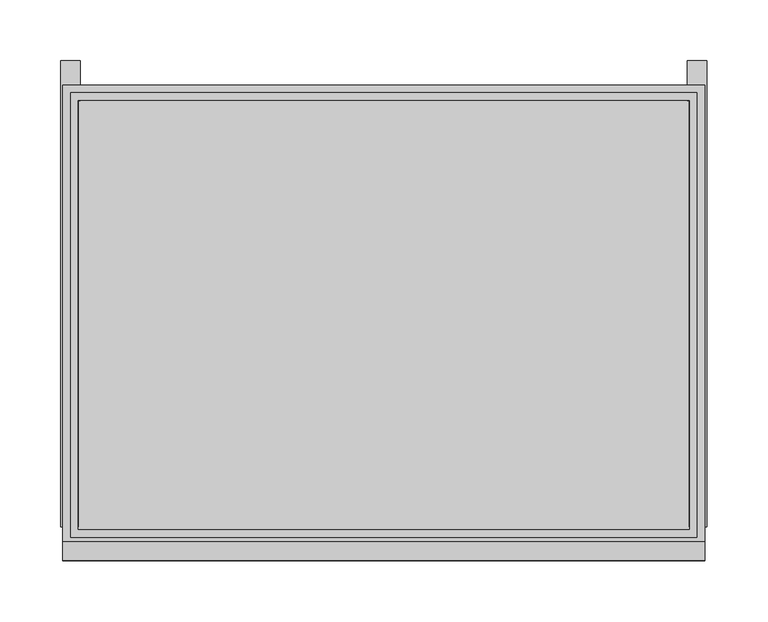
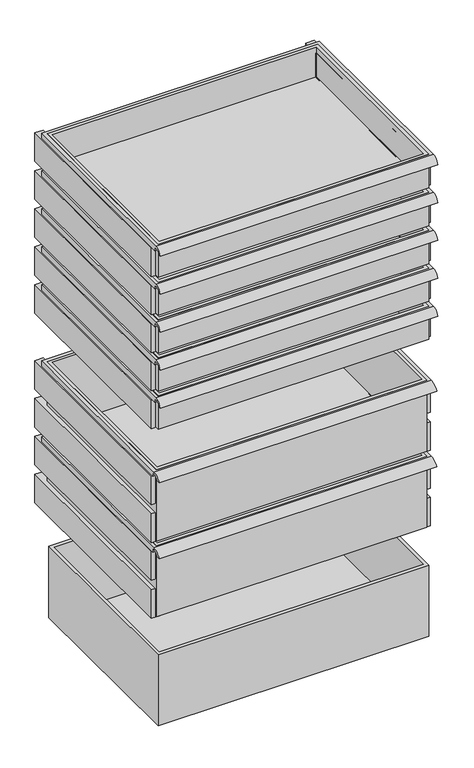
"""IFC4 building model written with IfcOpenShell, lengths in millimetres: proxy geometry."""

from ifc_helpers import new_model, si_unit, frame, origin, place, context, project, spatial, polyline, circle_curve, outline, extrude, faceted_brep, source, transform, mapped, element, save
from ifc_brep_helpers import plane_surface, cylinder_surface, revolved_surface, advanced_brep


def specialty_equipment_a31bc52e(model_context):
    return source(origin(), model_context, "Body", "SolidModel", [
        faceted_brep([(250.825, 163.5621094, 1024.5461369), (-250.825, 163.5621094, 1024.5461369), (-250.825, -188.8628906, 1024.5461369), (250.825, -188.8628906, 1024.5461369), (250.825, 163.5621094, 1084.2498), (-250.825, 163.5621094, 1084.2498), (-250.825, -188.8628906, 1084.2498), (250.825, -188.8628906, 1084.2498), (257.175, 169.9121094, 1084.2498), (-257.175, 169.9121094, 1084.2498), (-257.175, -195.2128906, 1084.2498), (257.175, -195.2128906, 1084.2498), (257.175, 169.9121094, 1017.5748), (257.175, -195.2128906, 1017.5748), (-257.175, -195.2128906, 1017.5748), (-257.175, 169.9121094, 1017.5748)], [[[0, 1, 2, 3]], [[1, 0, 4, 5]], [[2, 1, 5, 6]], [[0, 3, 7, 4]], [[3, 2, 6, 7]], [[8, 9, 10, 11], [5, 4, 7, 6]], [[12, 13, 14, 15]], [[9, 8, 12, 15]], [[10, 9, 15, 14]], [[11, 10, 14, 13]], [[8, 11, 13, 12]]]),
        advanced_brep(
        [(250.825, 163.5621094, 1073.15), (250.825, 163.5621094, 1084.2498), (-250.825, 163.5621094, 1084.2498), (-250.825, 163.5621094, 1073.15), (-250.825, -188.8628906, 1084.2498), (-250.825, -188.8628906, 1073.15), (250.825, -188.8628906, 1073.15), (250.825, -188.8628906, 1084.2498), (263.525, -214.2628906, 1073.15), (263.525, -210.8284507, 1073.15), (263.525, -199.4718721, 1081.0319341), (263.525, -195.2128906, 1081.0319341), (263.525, -195.2128906, 1073.15), (263.525, 176.2621094, 1073.15), (263.525, 176.2621094, 1084.2498), (263.525, -198.3878906, 1084.2498), (-263.525, -214.2628906, 1073.15), (-263.525, -198.3878906, 1084.2498), (-263.525, 176.2621094, 1084.2498), (-263.525, 176.2621094, 1073.15), (-263.525, -195.2128906, 1073.15), (-263.525, -195.2128906, 1081.0319341), (-263.525, -199.4718721, 1081.0319341), (-263.525, -210.8284507, 1073.15)],
        [
            (0, 1),
            (1, 2),
            (2, 3),
            (3, 0),
            (2, 4),
            (4, 5),
            (5, 3),
            (0, 6),
            (6, 7),
            (7, 1),
            (8, 9),
            (9, 10, circle_curve(frame((263.525, -198.3878906, 1067.3476403), z_axis=(-1.0, 0.0, 0.0), x_axis=(0.0, 1.0, 0.0)), 13.7271597)),
            (10, 11),
            (11, 12),
            (12, 13),
            (13, 14),
            (14, 15),
            (15, 8, circle_curve(frame((263.525, -198.3878906, 1067.3476403), z_axis=(1.0, 0.0, 0.0), x_axis=(0.0, 1.0, 0.0)), 16.9021597)),
            (16, 17, circle_curve(frame((-263.525, -198.3878906, 1067.3476403), z_axis=(-1.0, 0.0, 0.0), x_axis=(0.0, 1.0, 0.0)), 16.9021597)),
            (17, 18),
            (18, 19),
            (19, 20),
            (20, 21),
            (21, 22),
            (22, 23, circle_curve(frame((-263.525, -198.3878906, 1067.3476403), z_axis=(1.0, 0.0, 0.0), x_axis=(0.0, 1.0, 0.0)), 13.7271597)),
            (23, 16),
            (8, 16),
            (23, 9),
            (22, 10),
            (21, 11),
            (20, 12),
            (19, 13),
            (5, 6),
            (18, 14),
            (17, 15),
            (7, 4),
        ],
        [
            plane_surface(frame((250.825, 163.5621094, 1084.2498), z_axis=(0.0, -1.0, 0.0), x_axis=(0.0, 0.0, -1.0))),
            plane_surface(frame((-250.825, 163.5621094, 1084.2498), z_axis=(1.0, 0.0, 0.0), x_axis=(0.0, 0.0, -1.0))),
            plane_surface(frame((250.825, -188.8628906, 1084.2498), z_axis=(-1.0, 0.0, 0.0), x_axis=(0.0, 0.0, -1.0))),
            plane_surface(frame((263.525, -214.2628906, 1073.15), z_axis=(1.0, 0.0, 0.0), x_axis=(0.0, 1.0, 0.0))),
            plane_surface(frame((-263.525, -214.2628906, 1073.15), z_axis=(-1.0, 0.0, 0.0), x_axis=(0.0, -1.0, 0.0))),
            plane_surface(frame((263.525, -214.2628906, 1073.15), z_axis=(0.0, 0.0, -1.0), x_axis=(-1.0, 0.0, 0.0))),
            revolved_surface(polyline([(-263.525, -184.6607309, 1067.3476403), (263.525, -184.6607309, 1067.3476403)]), (-263.525, -198.3878906, 1067.3476403), (-1.0, 0.0, 0.0)),
            plane_surface(frame((263.525, -199.4718721, 1081.0319341), z_axis=(0.0, 2.637895110127553e-12, -1.0), x_axis=(-1.0, 0.0, 0.0))),
            plane_surface(frame((263.525, -195.2128906, 1081.0319341), z_axis=(0.0, -1.0, 0.0), x_axis=(-1.0, 0.0, 0.0))),
            plane_surface(frame((263.525, -195.2128906, 1073.15), z_axis=(0.0, 0.0, -1.0), x_axis=(-1.0, 0.0, 0.0))),
            plane_surface(frame((263.525, 176.2621094, 1073.15), z_axis=(0.0, 1.0, 0.0), x_axis=(-1.0, 0.0, 0.0))),
            plane_surface(frame((263.525, 176.2621094, 1084.2498), z_axis=(0.0, 0.0, 1.0), x_axis=(-1.0, 0.0, 0.0))),
            cylinder_surface(frame((-263.525, -198.3878906, 1067.3476403), z_axis=(1.0, 0.0, 0.0), x_axis=(0.0, 1.0, 0.0)), 16.9021597),
            plane_surface(frame((-250.825, -188.8628906, 1084.2498), z_axis=(0.0, 1.0, 0.0), x_axis=(0.0, 0.0, -1.0))),
        ],
        [
            (0, [[1, 2, 3, 4]]),
            (1, [[-3, 5, 6, 7]]),
            (2, [[-1, 8, 9, 10]]),
            (3, [[11, 12, 13, 14, 15, 16, 17, 18]]),
            (4, [[19, 20, 21, 22, 23, 24, 25, 26]]),
            (5, [[-11, 27, -26, 28]]),
            (6, [[-12, -28, -25, 29]]),
            (7, [[-13, -29, -24, 30]]),
            (8, [[-14, -30, -23, 31]]),
            (9, [[-15, -31, -22, 32], [-4, -7, 33, -8]]),
            (10, [[-16, -32, -21, 34]]),
            (11, [[-17, -34, -20, 35], [-2, -10, 36, -5]]),
            (12, [[-18, -35, -19, -27]]),
            (13, [[-6, -36, -9, -33]]),
        ],
    ),
        faceted_brep([(-265.1125, -186.53125, 1073.15), (-265.1125, -186.53125, 1015.7968), (-249.2375, -186.53125, 1015.7968), (-249.2375, -186.53125, 1024.5461369), (-250.825, -186.53125, 1024.5461369), (-250.825, -186.53125, 1073.15), (-249.2375, 196.05625, 1073.15), (-249.2375, 196.05625, 1015.7968), (-265.1125, 196.05625, 1015.7968), (-265.1125, 196.05625, 1073.15), (-250.825, 163.5621094, 1073.15), (-249.2375, 163.5621094, 1073.15), (-249.2375, 163.5621094, 1024.5461369), (-250.825, 163.5621094, 1024.5461369)], [[[0, 1, 2, 3, 4, 5]], [[6, 7, 8, 9]], [[6, 9, 0, 5, 10, 11]], [[1, 0, 9, 8]], [[2, 1, 8, 7]], [[7, 6, 11, 12, 3, 2]], [[12, 13, 4, 3]], [[13, 12, 11, 10]], [[4, 13, 10, 5]]]),
        faceted_brep([(249.2375, -186.53125, 1015.7968), (265.1125, -186.53125, 1015.7968), (265.1125, -186.53125, 1073.15), (250.825, -186.53125, 1073.15), (250.825, -186.53125, 1024.5461369), (249.2375, -186.53125, 1024.5461369), (265.1125, 196.05625, 1073.15), (265.1125, 196.05625, 1015.7968), (249.2375, 196.05625, 1015.7968), (249.2375, 196.05625, 1073.15), (249.2375, 163.5621094, 1073.15), (250.825, 163.5621094, 1073.15), (249.2375, 163.5621094, 1024.5461369), (250.825, 163.5621094, 1024.5461369)], [[[0, 1, 2, 3, 4, 5]], [[6, 7, 8, 9]], [[6, 9, 10, 11, 3, 2]], [[9, 8, 0, 5, 12, 10]], [[1, 0, 8, 7]], [[2, 1, 7, 6]], [[13, 12, 5, 4]], [[12, 13, 11, 10]], [[13, 4, 3, 11]]]),
        faceted_brep([(250.825, 163.5621094, 949.5590171), (-250.825, 163.5621094, 949.5590171), (-250.825, -188.8628906, 949.5590171), (250.825, -188.8628906, 949.5590171), (250.825, 163.5621094, 1008.0498), (-250.825, 163.5621094, 1008.0498), (-250.825, -188.8628906, 1008.0498), (250.825, -188.8628906, 1008.0498), (257.175, 169.9121094, 1008.0498), (-257.175, 169.9121094, 1008.0498), (-257.175, -195.2128906, 1008.0498), (257.175, -195.2128906, 1008.0498), (257.175, 169.9121094, 941.3748), (257.175, -195.2128906, 941.3748), (-257.175, -195.2128906, 941.3748), (-257.175, 169.9121094, 941.3748)], [[[0, 1, 2, 3]], [[1, 0, 4, 5]], [[2, 1, 5, 6]], [[0, 3, 7, 4]], [[3, 2, 6, 7]], [[8, 9, 10, 11], [5, 4, 7, 6]], [[12, 13, 14, 15]], [[9, 8, 12, 15]], [[10, 9, 15, 14]], [[11, 10, 14, 13]], [[8, 11, 13, 12]]]),
        advanced_brep(
        [(250.825, 163.5621094, 996.95), (250.825, 163.5621094, 1008.0498), (-250.825, 163.5621094, 1008.0498), (-250.825, 163.5621094, 996.95), (-250.825, -188.8628906, 1008.0498), (-250.825, -188.8628906, 996.95), (250.825, -188.8628906, 996.95), (250.825, -188.8628906, 1008.0498), (263.525, -214.2628906, 996.95), (263.525, -210.8284507, 996.95), (263.525, -199.4718721, 1004.8319341), (263.525, -195.2128906, 1004.8319341), (263.525, -195.2128906, 996.95), (263.525, 176.2621094, 996.95), (263.525, 176.2621094, 1008.0498), (263.525, -198.3878906, 1008.0498), (-263.525, -214.2628906, 996.95), (-263.525, -198.3878906, 1008.0498), (-263.525, 176.2621094, 1008.0498), (-263.525, 176.2621094, 996.95), (-263.525, -195.2128906, 996.95), (-263.525, -195.2128906, 1004.8319341), (-263.525, -199.4718721, 1004.8319341), (-263.525, -210.8284507, 996.95)],
        [
            (0, 1),
            (1, 2),
            (2, 3),
            (3, 0),
            (2, 4),
            (4, 5),
            (5, 3),
            (0, 6),
            (6, 7),
            (7, 1),
            (8, 9),
            (9, 10, circle_curve(frame((263.525, -198.3878906, 991.1476403), z_axis=(-1.0, 0.0, 0.0), x_axis=(0.0, 1.0, 0.0)), 13.7271597)),
            (10, 11),
            (11, 12),
            (12, 13),
            (13, 14),
            (14, 15),
            (15, 8, circle_curve(frame((263.525, -198.3878906, 991.1476403), z_axis=(1.0, 0.0, 0.0), x_axis=(0.0, 1.0, 0.0)), 16.9021597)),
            (16, 17, circle_curve(frame((-263.525, -198.3878906, 991.1476403), z_axis=(-1.0, 0.0, 0.0), x_axis=(0.0, 1.0, 0.0)), 16.9021597)),
            (17, 18),
            (18, 19),
            (19, 20),
            (20, 21),
            (21, 22),
            (22, 23, circle_curve(frame((-263.525, -198.3878906, 991.1476403), z_axis=(1.0, 0.0, 0.0), x_axis=(0.0, 1.0, 0.0)), 13.7271597)),
            (23, 16),
            (8, 16),
            (23, 9),
            (22, 10),
            (21, 11),
            (20, 12),
            (19, 13),
            (5, 6),
            (18, 14),
            (17, 15),
            (7, 4),
        ],
        [
            plane_surface(frame((250.825, 163.5621094, 1008.0498), z_axis=(0.0, -1.0, 0.0), x_axis=(0.0, 0.0, -1.0))),
            plane_surface(frame((-250.825, 163.5621094, 1008.0498), z_axis=(1.0, 0.0, 0.0), x_axis=(0.0, 0.0, -1.0))),
            plane_surface(frame((250.825, -188.8628906, 1008.0498), z_axis=(-1.0, 0.0, 0.0), x_axis=(0.0, 0.0, -1.0))),
            plane_surface(frame((263.525, -214.2628906, 996.95), z_axis=(1.0, 0.0, 0.0), x_axis=(0.0, 1.0, 0.0))),
            plane_surface(frame((-263.525, -214.2628906, 996.95), z_axis=(-1.0, 0.0, 0.0), x_axis=(0.0, -1.0, 0.0))),
            plane_surface(frame((263.525, -214.2628906, 996.95), z_axis=(0.0, 0.0, -1.0), x_axis=(-1.0, 0.0, 0.0))),
            revolved_surface(polyline([(-263.525, -184.6607309, 991.1476403), (263.525, -184.6607309, 991.1476403)]), (-263.525, -198.3878906, 991.1476403), (-1.0, 0.0, 0.0)),
            plane_surface(frame((263.525, -199.4718721, 1004.8319341), z_axis=(0.0, 2.6378951101273854e-12, -1.0), x_axis=(-1.0, 0.0, 0.0))),
            plane_surface(frame((263.525, -195.2128906, 1004.8319341), z_axis=(0.0, -1.0, 0.0), x_axis=(-1.0, 0.0, 0.0))),
            plane_surface(frame((263.525, -195.2128906, 996.95), z_axis=(0.0, 0.0, -1.0), x_axis=(-1.0, 0.0, 0.0))),
            plane_surface(frame((263.525, 176.2621094, 996.95), z_axis=(0.0, 1.0, 0.0), x_axis=(-1.0, 0.0, 0.0))),
            plane_surface(frame((263.525, 176.2621094, 1008.0498), z_axis=(0.0, 0.0, 1.0), x_axis=(-1.0, 0.0, 0.0))),
            cylinder_surface(frame((-263.525, -198.3878906, 991.1476403), z_axis=(1.0, 0.0, 0.0), x_axis=(0.0, 1.0, 0.0)), 16.9021597),
            plane_surface(frame((-250.825, -188.8628906, 1008.0498), z_axis=(0.0, 1.0, 0.0), x_axis=(0.0, 0.0, -1.0))),
        ],
        [
            (0, [[1, 2, 3, 4]]),
            (1, [[-3, 5, 6, 7]]),
            (2, [[-1, 8, 9, 10]]),
            (3, [[11, 12, 13, 14, 15, 16, 17, 18]]),
            (4, [[19, 20, 21, 22, 23, 24, 25, 26]]),
            (5, [[-11, 27, -26, 28]]),
            (6, [[-12, -28, -25, 29]]),
            (7, [[-13, -29, -24, 30]]),
            (8, [[-14, -30, -23, 31]]),
            (9, [[-15, -31, -22, 32], [-4, -7, 33, -8]]),
            (10, [[-16, -32, -21, 34]]),
            (11, [[-17, -34, -20, 35], [-2, -10, 36, -5]]),
            (12, [[-18, -35, -19, -27]]),
            (13, [[-6, -36, -9, -33]]),
        ],
    ),
        faceted_brep([(-265.1125, -186.53125, 996.95), (-265.1125, -186.53125, 939.5968), (-249.2375, -186.53125, 939.5968), (-249.2375, -186.53125, 949.5590171), (-250.825, -186.53125, 949.5590171), (-250.825, -186.53125, 996.95), (-249.2375, 196.05625, 996.95), (-249.2375, 196.05625, 939.5968), (-265.1125, 196.05625, 939.5968), (-265.1125, 196.05625, 996.95), (-250.825, 163.5621094, 996.95), (-249.2375, 163.5621094, 996.95), (-249.2375, 163.5621094, 949.5590171), (-250.825, 163.5621094, 949.5590171)], [[[0, 1, 2, 3, 4, 5]], [[6, 7, 8, 9]], [[6, 9, 0, 5, 10, 11]], [[1, 0, 9, 8]], [[2, 1, 8, 7]], [[7, 6, 11, 12, 3, 2]], [[12, 13, 4, 3]], [[13, 12, 11, 10]], [[4, 13, 10, 5]]]),
        faceted_brep([(249.2375, -186.53125, 939.5968), (265.1125, -186.53125, 939.5968), (265.1125, -186.53125, 996.95), (250.825, -186.53125, 996.95), (250.825, -186.53125, 949.5590171), (249.2375, -186.53125, 949.5590171), (265.1125, 196.05625, 996.95), (265.1125, 196.05625, 939.5968), (249.2375, 196.05625, 939.5968), (249.2375, 196.05625, 996.95), (249.2375, 163.5621094, 996.95), (250.825, 163.5621094, 996.95), (249.2375, 163.5621094, 949.5590171), (250.825, 163.5621094, 949.5590171)], [[[0, 1, 2, 3, 4, 5]], [[6, 7, 8, 9]], [[6, 9, 10, 11, 3, 2]], [[9, 8, 0, 5, 12, 10]], [[1, 0, 8, 7]], [[2, 1, 7, 6]], [[13, 12, 5, 4]], [[12, 13, 11, 10]], [[13, 4, 3, 11]]]),
        faceted_brep([(250.825, 163.5621094, 870.7966811), (-250.825, 163.5621094, 870.7966811), (-250.825, -188.8628906, 870.7966811), (250.825, -188.8628906, 870.7966811), (250.825, 163.5621094, 931.8498), (-250.825, 163.5621094, 931.8498), (-250.825, -188.8628906, 931.8498), (250.825, -188.8628906, 931.8498), (257.175, 169.9121094, 931.8498), (-257.175, 169.9121094, 931.8498), (-257.175, -195.2128906, 931.8498), (257.175, -195.2128906, 931.8498), (257.175, 169.9121094, 865.1748), (257.175, -195.2128906, 865.1748), (-257.175, -195.2128906, 865.1748), (-257.175, 169.9121094, 865.1748)], [[[0, 1, 2, 3]], [[1, 0, 4, 5]], [[2, 1, 5, 6]], [[0, 3, 7, 4]], [[3, 2, 6, 7]], [[8, 9, 10, 11], [5, 4, 7, 6]], [[12, 13, 14, 15]], [[9, 8, 12, 15]], [[10, 9, 15, 14]], [[11, 10, 14, 13]], [[8, 11, 13, 12]]]),
        advanced_brep(
        [(250.825, 163.5621094, 920.75), (250.825, 163.5621094, 931.8498), (-250.825, 163.5621094, 931.8498), (-250.825, 163.5621094, 920.75), (-250.825, -188.8628906, 931.8498), (-250.825, -188.8628906, 920.75), (250.825, -188.8628906, 920.75), (250.825, -188.8628906, 931.8498), (263.525, -214.2628906, 920.75), (263.525, -210.8284507, 920.75), (263.525, -199.4718721, 928.6319341), (263.525, -195.2128906, 928.6319341), (263.525, -195.2128906, 920.75), (263.525, 176.2621094, 920.75), (263.525, 176.2621094, 931.8498), (263.525, -198.3878906, 931.8498), (-263.525, -214.2628906, 920.75), (-263.525, -198.3878906, 931.8498), (-263.525, 176.2621094, 931.8498), (-263.525, 176.2621094, 920.75), (-263.525, -195.2128906, 920.75), (-263.525, -195.2128906, 928.6319341), (-263.525, -199.4718721, 928.6319341), (-263.525, -210.8284507, 920.75)],
        [
            (0, 1),
            (1, 2),
            (2, 3),
            (3, 0),
            (2, 4),
            (4, 5),
            (5, 3),
            (0, 6),
            (6, 7),
            (7, 1),
            (8, 9),
            (9, 10, circle_curve(frame((263.525, -198.3878906, 914.9476403), z_axis=(-1.0, 0.0, 0.0), x_axis=(0.0, 1.0, 0.0)), 13.7271597)),
            (10, 11),
            (11, 12),
            (12, 13),
            (13, 14),
            (14, 15),
            (15, 8, circle_curve(frame((263.525, -198.3878906, 914.9476403), z_axis=(1.0, 0.0, 0.0), x_axis=(0.0, 1.0, 0.0)), 16.9021597)),
            (16, 17, circle_curve(frame((-263.525, -198.3878906, 914.9476403), z_axis=(-1.0, 0.0, 0.0), x_axis=(0.0, 1.0, 0.0)), 16.9021597)),
            (17, 18),
            (18, 19),
            (19, 20),
            (20, 21),
            (21, 22),
            (22, 23, circle_curve(frame((-263.525, -198.3878906, 914.9476403), z_axis=(1.0, 0.0, 0.0), x_axis=(0.0, 1.0, 0.0)), 13.7271597)),
            (23, 16),
            (8, 16),
            (23, 9),
            (22, 10),
            (21, 11),
            (20, 12),
            (19, 13),
            (5, 6),
            (18, 14),
            (17, 15),
            (7, 4),
        ],
        [
            plane_surface(frame((250.825, 163.5621094, 931.8498), z_axis=(0.0, -1.0, 0.0), x_axis=(0.0, 0.0, -1.0))),
            plane_surface(frame((-250.825, 163.5621094, 931.8498), z_axis=(1.0, 0.0, 0.0), x_axis=(0.0, 0.0, -1.0))),
            plane_surface(frame((250.825, -188.8628906, 931.8498), z_axis=(-1.0, 0.0, 0.0), x_axis=(0.0, 0.0, -1.0))),
            plane_surface(frame((263.525, -214.2628906, 920.75), z_axis=(1.0, 0.0, 0.0), x_axis=(0.0, 1.0, 0.0))),
            plane_surface(frame((-263.525, -214.2628906, 920.75), z_axis=(-1.0, 0.0, 0.0), x_axis=(0.0, -1.0, 0.0))),
            plane_surface(frame((263.525, -214.2628906, 920.75), z_axis=(0.0, 0.0, -1.0), x_axis=(-1.0, 0.0, 0.0))),
            revolved_surface(polyline([(-263.525, -184.6607309, 914.9476403), (263.525, -184.6607309, 914.9476403)]), (-263.525, -198.3878906, 914.9476403), (-1.0, 0.0, 0.0)),
            plane_surface(frame((263.525, -199.4718721, 928.6319341), z_axis=(0.0, 2.637895110127469e-12, -1.0), x_axis=(-1.0, 0.0, 0.0))),
            plane_surface(frame((263.525, -195.2128906, 928.6319341), z_axis=(0.0, -1.0, 0.0), x_axis=(-1.0, 0.0, 0.0))),
            plane_surface(frame((263.525, -195.2128906, 920.75), z_axis=(0.0, 0.0, -1.0), x_axis=(-1.0, 0.0, 0.0))),
            plane_surface(frame((263.525, 176.2621094, 920.75), z_axis=(0.0, 1.0, 0.0), x_axis=(-1.0, 0.0, 0.0))),
            plane_surface(frame((263.525, 176.2621094, 931.8498), z_axis=(0.0, 0.0, 1.0), x_axis=(-1.0, 0.0, 0.0))),
            cylinder_surface(frame((-263.525, -198.3878906, 914.9476403), z_axis=(1.0, 0.0, 0.0), x_axis=(0.0, 1.0, 0.0)), 16.9021597),
            plane_surface(frame((-250.825, -188.8628906, 931.8498), z_axis=(0.0, 1.0, 0.0), x_axis=(0.0, 0.0, -1.0))),
        ],
        [
            (0, [[1, 2, 3, 4]]),
            (1, [[-3, 5, 6, 7]]),
            (2, [[-1, 8, 9, 10]]),
            (3, [[11, 12, 13, 14, 15, 16, 17, 18]]),
            (4, [[19, 20, 21, 22, 23, 24, 25, 26]]),
            (5, [[-11, 27, -26, 28]]),
            (6, [[-12, -28, -25, 29]]),
            (7, [[-13, -29, -24, 30]]),
            (8, [[-14, -30, -23, 31]]),
            (9, [[-15, -31, -22, 32], [-4, -7, 33, -8]]),
            (10, [[-16, -32, -21, 34]]),
            (11, [[-17, -34, -20, 35], [-2, -10, 36, -5]]),
            (12, [[-18, -35, -19, -27]]),
            (13, [[-6, -36, -9, -33]]),
        ],
    ),
        faceted_brep([(-265.1125, -186.53125, 920.75), (-265.1125, -186.53125, 863.3968), (-249.2375, -186.53125, 863.3968), (-249.2375, -186.53125, 870.7966811), (-250.825, -186.53125, 870.7966811), (-250.825, -186.53125, 920.75), (-249.2375, 196.05625, 920.75), (-249.2375, 196.05625, 863.3968), (-265.1125, 196.05625, 863.3968), (-265.1125, 196.05625, 920.75), (-250.825, 163.5621094, 920.75), (-249.2375, 163.5621094, 920.75), (-249.2375, 163.5621094, 870.7966811), (-250.825, 163.5621094, 870.7966811)], [[[0, 1, 2, 3, 4, 5]], [[6, 7, 8, 9]], [[6, 9, 0, 5, 10, 11]], [[1, 0, 9, 8]], [[2, 1, 8, 7]], [[7, 6, 11, 12, 3, 2]], [[12, 13, 4, 3]], [[13, 12, 11, 10]], [[4, 13, 10, 5]]]),
        faceted_brep([(249.2375, -186.53125, 863.3968), (265.1125, -186.53125, 863.3968), (265.1125, -186.53125, 920.75), (250.825, -186.53125, 920.75), (250.825, -186.53125, 870.7966811), (249.2375, -186.53125, 870.7966811), (265.1125, 196.05625, 920.75), (265.1125, 196.05625, 863.3968), (249.2375, 196.05625, 863.3968), (249.2375, 196.05625, 920.75), (249.2375, 163.5621094, 920.75), (250.825, 163.5621094, 920.75), (249.2375, 163.5621094, 870.7966811), (250.825, 163.5621094, 870.7966811)], [[[0, 1, 2, 3, 4, 5]], [[6, 7, 8, 9]], [[6, 9, 10, 11, 3, 2]], [[9, 8, 0, 5, 12, 10]], [[1, 0, 8, 7]], [[2, 1, 7, 6]], [[13, 12, 5, 4]], [[12, 13, 11, 10]], [[13, 4, 3, 11]]]),
        faceted_brep([(250.825, 163.5621094, 798.1097414), (-250.825, 163.5621094, 798.1097414), (-250.825, -188.8628906, 798.1097414), (250.825, -188.8628906, 798.1097414), (250.825, 163.5621094, 855.6498), (-250.825, 163.5621094, 855.6498), (-250.825, -188.8628906, 855.6498), (250.825, -188.8628906, 855.6498), (257.175, 169.9121094, 855.6498), (-257.175, 169.9121094, 855.6498), (-257.175, -195.2128906, 855.6498), (257.175, -195.2128906, 855.6498), (257.175, 169.9121094, 788.9748), (257.175, -195.2128906, 788.9748), (-257.175, -195.2128906, 788.9748), (-257.175, 169.9121094, 788.9748)], [[[0, 1, 2, 3]], [[1, 0, 4, 5]], [[2, 1, 5, 6]], [[0, 3, 7, 4]], [[3, 2, 6, 7]], [[8, 9, 10, 11], [5, 4, 7, 6]], [[12, 13, 14, 15]], [[9, 8, 12, 15]], [[10, 9, 15, 14]], [[11, 10, 14, 13]], [[8, 11, 13, 12]]]),
        advanced_brep(
        [(250.825, 163.5621094, 844.55), (250.825, 163.5621094, 855.6498), (-250.825, 163.5621094, 855.6498), (-250.825, 163.5621094, 844.55), (-250.825, -188.8628906, 855.6498), (-250.825, -188.8628906, 844.55), (250.825, -188.8628906, 844.55), (250.825, -188.8628906, 855.6498), (263.525, -214.2628906, 844.55), (263.525, -210.8284507, 844.55), (263.525, -199.4718721, 852.4319341), (263.525, -195.2128906, 852.4319341), (263.525, -195.2128906, 844.55), (263.525, 176.2621094, 844.55), (263.525, 176.2621094, 855.6498), (263.525, -198.3878906, 855.6498), (-263.525, -214.2628906, 844.55), (-263.525, -198.3878906, 855.6498), (-263.525, 176.2621094, 855.6498), (-263.525, 176.2621094, 844.55), (-263.525, -195.2128906, 844.55), (-263.525, -195.2128906, 852.4319341), (-263.525, -199.4718721, 852.4319341), (-263.525, -210.8284507, 844.55)],
        [
            (0, 1),
            (1, 2),
            (2, 3),
            (3, 0),
            (2, 4),
            (4, 5),
            (5, 3),
            (0, 6),
            (6, 7),
            (7, 1),
            (8, 9),
            (9, 10, circle_curve(frame((263.525, -198.3878906, 838.7476403), z_axis=(-1.0, 0.0, 0.0), x_axis=(0.0, 1.0, 0.0)), 13.7271597)),
            (10, 11),
            (11, 12),
            (12, 13),
            (13, 14),
            (14, 15),
            (15, 8, circle_curve(frame((263.525, -198.3878906, 838.7476403), z_axis=(1.0, 0.0, 0.0), x_axis=(0.0, 1.0, 0.0)), 16.9021597)),
            (16, 17, circle_curve(frame((-263.525, -198.3878906, 838.7476403), z_axis=(-1.0, 0.0, 0.0), x_axis=(0.0, 1.0, 0.0)), 16.9021597)),
            (17, 18),
            (18, 19),
            (19, 20),
            (20, 21),
            (21, 22),
            (22, 23, circle_curve(frame((-263.525, -198.3878906, 838.7476403), z_axis=(1.0, 0.0, 0.0), x_axis=(0.0, 1.0, 0.0)), 13.7271597)),
            (23, 16),
            (8, 16),
            (23, 9),
            (22, 10),
            (21, 11),
            (20, 12),
            (19, 13),
            (5, 6),
            (18, 14),
            (17, 15),
            (7, 4),
        ],
        [
            plane_surface(frame((250.825, 163.5621094, 855.6498), z_axis=(0.0, -1.0, 0.0), x_axis=(0.0, 0.0, -1.0))),
            plane_surface(frame((-250.825, 163.5621094, 855.6498), z_axis=(1.0, 0.0, 0.0), x_axis=(0.0, 0.0, -1.0))),
            plane_surface(frame((250.825, -188.8628906, 855.6498), z_axis=(-1.0, 0.0, 0.0), x_axis=(0.0, 0.0, -1.0))),
            plane_surface(frame((263.525, -214.2628906, 844.55), z_axis=(1.0, 0.0, 0.0), x_axis=(0.0, 1.0, 0.0))),
            plane_surface(frame((-263.525, -214.2628906, 844.55), z_axis=(-1.0, 0.0, 0.0), x_axis=(0.0, -1.0, 0.0))),
            plane_surface(frame((263.525, -214.2628906, 844.55), z_axis=(0.0, 0.0, -1.0), x_axis=(-1.0, 0.0, 0.0))),
            revolved_surface(polyline([(-263.525, -184.6607309, 838.7476403), (263.525, -184.6607309, 838.7476403)]), (-263.525, -198.3878906, 838.7476403), (-1.0, 0.0, 0.0)),
            plane_surface(frame((263.525, -199.4718721, 852.4319341), z_axis=(0.0, 2.6061132413307525e-12, -1.0), x_axis=(-1.0, 0.0, 0.0))),
            plane_surface(frame((263.525, -195.2128906, 852.4319341), z_axis=(0.0, -1.0, 0.0), x_axis=(-1.0, 0.0, 0.0))),
            plane_surface(frame((263.525, -195.2128906, 844.55), z_axis=(0.0, 0.0, -1.0), x_axis=(-1.0, 0.0, 0.0))),
            plane_surface(frame((263.525, 176.2621094, 844.55), z_axis=(0.0, 1.0, 0.0), x_axis=(-1.0, 0.0, 0.0))),
            plane_surface(frame((263.525, 176.2621094, 855.6498), z_axis=(0.0, 0.0, 1.0), x_axis=(-1.0, 0.0, 0.0))),
            cylinder_surface(frame((-263.525, -198.3878906, 838.7476403), z_axis=(1.0, 0.0, 0.0), x_axis=(0.0, 1.0, 0.0)), 16.9021597),
            plane_surface(frame((-250.825, -188.8628906, 855.6498), z_axis=(0.0, 1.0, 0.0), x_axis=(0.0, 0.0, -1.0))),
        ],
        [
            (0, [[1, 2, 3, 4]]),
            (1, [[-3, 5, 6, 7]]),
            (2, [[-1, 8, 9, 10]]),
            (3, [[11, 12, 13, 14, 15, 16, 17, 18]]),
            (4, [[19, 20, 21, 22, 23, 24, 25, 26]]),
            (5, [[-11, 27, -26, 28]]),
            (6, [[-12, -28, -25, 29]]),
            (7, [[-13, -29, -24, 30]]),
            (8, [[-14, -30, -23, 31]]),
            (9, [[-15, -31, -22, 32], [-4, -7, 33, -8]]),
            (10, [[-16, -32, -21, 34]]),
            (11, [[-17, -34, -20, 35], [-2, -10, 36, -5]]),
            (12, [[-18, -35, -19, -27]]),
            (13, [[-6, -36, -9, -33]]),
        ],
    ),
        faceted_brep([(-265.1125, -186.53125, 844.55), (-265.1125, -186.53125, 787.1968), (-249.2375, -186.53125, 787.1968), (-249.2375, -186.53125, 798.1097414), (-250.825, -186.53125, 798.1097414), (-250.825, -186.53125, 844.55), (-249.2375, 196.05625, 844.55), (-249.2375, 196.05625, 787.1968), (-265.1125, 196.05625, 787.1968), (-265.1125, 196.05625, 844.55), (-250.825, 163.5621094, 844.55), (-249.2375, 163.5621094, 844.55), (-249.2375, 163.5621094, 798.1097414), (-250.825, 163.5621094, 798.1097414)], [[[0, 1, 2, 3, 4, 5]], [[6, 7, 8, 9]], [[6, 9, 0, 5, 10, 11]], [[1, 0, 9, 8]], [[2, 1, 8, 7]], [[7, 6, 11, 12, 3, 2]], [[12, 13, 4, 3]], [[13, 12, 11, 10]], [[4, 13, 10, 5]]]),
        faceted_brep([(249.2375, -186.53125, 787.1968), (265.1125, -186.53125, 787.1968), (265.1125, -186.53125, 844.55), (250.825, -186.53125, 844.55), (250.825, -186.53125, 798.1097414), (249.2375, -186.53125, 798.1097414), (265.1125, 196.05625, 844.55), (265.1125, 196.05625, 787.1968), (249.2375, 196.05625, 787.1968), (249.2375, 196.05625, 844.55), (249.2375, 163.5621094, 844.55), (250.825, 163.5621094, 844.55), (249.2375, 163.5621094, 798.1097414), (250.825, 163.5621094, 798.1097414)], [[[0, 1, 2, 3, 4, 5]], [[6, 7, 8, 9]], [[6, 9, 10, 11, 3, 2]], [[9, 8, 0, 5, 12, 10]], [[1, 0, 8, 7]], [[2, 1, 7, 6]], [[13, 12, 5, 4]], [[12, 13, 11, 10]], [[13, 4, 3, 11]]]),
        faceted_brep([(250.825, 163.5621094, 715.8009719), (-250.825, 163.5621094, 715.8009719), (-250.825, -188.8628906, 715.8009719), (250.825, -188.8628906, 715.8009719), (250.825, 163.5621094, 779.4498), (-250.825, 163.5621094, 779.4498), (-250.825, -188.8628906, 779.4498), (250.825, -188.8628906, 779.4498), (257.175, 169.9121094, 779.4498), (-257.175, 169.9121094, 779.4498), (-257.175, -195.2128906, 779.4498), (257.175, -195.2128906, 779.4498), (257.175, 169.9121094, 712.7748), (257.175, -195.2128906, 712.7748), (-257.175, -195.2128906, 712.7748), (-257.175, 169.9121094, 712.7748)], [[[0, 1, 2, 3]], [[1, 0, 4, 5]], [[2, 1, 5, 6]], [[0, 3, 7, 4]], [[3, 2, 6, 7]], [[8, 9, 10, 11], [5, 4, 7, 6]], [[12, 13, 14, 15]], [[9, 8, 12, 15]], [[10, 9, 15, 14]], [[11, 10, 14, 13]], [[8, 11, 13, 12]]]),
        advanced_brep(
        [(250.825, 163.5621094, 768.35), (250.825, 163.5621094, 779.4498), (-250.825, 163.5621094, 779.4498), (-250.825, 163.5621094, 768.35), (-250.825, -188.8628906, 779.4498), (-250.825, -188.8628906, 768.35), (250.825, -188.8628906, 768.35), (250.825, -188.8628906, 779.4498), (263.525, -214.2628906, 768.35), (263.525, -210.8284507, 768.35), (263.525, -199.4718721, 776.2319341), (263.525, -195.2128906, 776.2319341), (263.525, -195.2128906, 768.35), (263.525, 176.2621094, 768.35), (263.525, 176.2621094, 779.4498), (263.525, -198.3878906, 779.4498), (-263.525, -214.2628906, 768.35), (-263.525, -198.3878906, 779.4498), (-263.525, 176.2621094, 779.4498), (-263.525, 176.2621094, 768.35), (-263.525, -195.2128906, 768.35), (-263.525, -195.2128906, 776.2319341), (-263.525, -199.4718721, 776.2319341), (-263.525, -210.8284507, 768.35)],
        [
            (0, 1),
            (1, 2),
            (2, 3),
            (3, 0),
            (2, 4),
            (4, 5),
            (5, 3),
            (0, 6),
            (6, 7),
            (7, 1),
            (8, 9),
            (9, 10, circle_curve(frame((263.525, -198.3878906, 762.5476403), z_axis=(-1.0, 0.0, 0.0), x_axis=(0.0, 1.0, 0.0)), 13.7271597)),
            (10, 11),
            (11, 12),
            (12, 13),
            (13, 14),
            (14, 15),
            (15, 8, circle_curve(frame((263.525, -198.3878906, 762.5476403), z_axis=(1.0, 0.0, 0.0), x_axis=(0.0, 1.0, 0.0)), 16.9021597)),
            (16, 17, circle_curve(frame((-263.525, -198.3878906, 762.5476403), z_axis=(-1.0, 0.0, 0.0), x_axis=(0.0, 1.0, 0.0)), 16.9021597)),
            (17, 18),
            (18, 19),
            (19, 20),
            (20, 21),
            (21, 22),
            (22, 23, circle_curve(frame((-263.525, -198.3878906, 762.5476403), z_axis=(1.0, 0.0, 0.0), x_axis=(0.0, 1.0, 0.0)), 13.7271597)),
            (23, 16),
            (8, 16),
            (23, 9),
            (22, 10),
            (21, 11),
            (20, 12),
            (19, 13),
            (5, 6),
            (18, 14),
            (17, 15),
            (7, 4),
        ],
        [
            plane_surface(frame((250.825, 163.5621094, 779.4498), z_axis=(0.0, -1.0, 0.0), x_axis=(0.0, 0.0, -1.0))),
            plane_surface(frame((-250.825, 163.5621094, 779.4498), z_axis=(1.0, 0.0, 0.0), x_axis=(0.0, 0.0, -1.0))),
            plane_surface(frame((250.825, -188.8628906, 779.4498), z_axis=(-1.0, 0.0, 0.0), x_axis=(0.0, 0.0, -1.0))),
            plane_surface(frame((263.525, -214.2628906, 768.35), z_axis=(1.0, 0.0, 0.0), x_axis=(0.0, 1.0, 0.0))),
            plane_surface(frame((-263.525, -214.2628906, 768.35), z_axis=(-1.0, 0.0, 0.0), x_axis=(0.0, -1.0, 0.0))),
            plane_surface(frame((263.525, -214.2628906, 768.35), z_axis=(0.0, 0.0, -1.0), x_axis=(-1.0, 0.0, 0.0))),
            revolved_surface(polyline([(-263.525, -184.6607309, 762.5476403), (263.525, -184.6607309, 762.5476403)]), (-263.525, -198.3878906, 762.5476403), (-1.0, 0.0, 0.0)),
            plane_surface(frame((263.525, -199.4718721, 776.2319341), z_axis=(0.0, 2.6061132413307525e-12, -1.0), x_axis=(-1.0, 0.0, 0.0))),
            plane_surface(frame((263.525, -195.2128906, 776.2319341), z_axis=(0.0, -1.0, 0.0), x_axis=(-1.0, 0.0, 0.0))),
            plane_surface(frame((263.525, -195.2128906, 768.35), z_axis=(0.0, 0.0, -1.0), x_axis=(-1.0, 0.0, 0.0))),
            plane_surface(frame((263.525, 176.2621094, 768.35), z_axis=(0.0, 1.0, 0.0), x_axis=(-1.0, 0.0, 0.0))),
            plane_surface(frame((263.525, 176.2621094, 779.4498), z_axis=(0.0, 0.0, 1.0), x_axis=(-1.0, 0.0, 0.0))),
            cylinder_surface(frame((-263.525, -198.3878906, 762.5476403), z_axis=(1.0, 0.0, 0.0), x_axis=(0.0, 1.0, 0.0)), 16.9021597),
            plane_surface(frame((-250.825, -188.8628906, 779.4498), z_axis=(0.0, 1.0, 0.0), x_axis=(0.0, 0.0, -1.0))),
        ],
        [
            (0, [[1, 2, 3, 4]]),
            (1, [[-3, 5, 6, 7]]),
            (2, [[-1, 8, 9, 10]]),
            (3, [[11, 12, 13, 14, 15, 16, 17, 18]]),
            (4, [[19, 20, 21, 22, 23, 24, 25, 26]]),
            (5, [[-11, 27, -26, 28]]),
            (6, [[-12, -28, -25, 29]]),
            (7, [[-13, -29, -24, 30]]),
            (8, [[-14, -30, -23, 31]]),
            (9, [[-15, -31, -22, 32], [-4, -7, 33, -8]]),
            (10, [[-16, -32, -21, 34]]),
            (11, [[-17, -34, -20, 35], [-2, -10, 36, -5]]),
            (12, [[-18, -35, -19, -27]]),
            (13, [[-6, -36, -9, -33]]),
        ],
    ),
        faceted_brep([(-265.1125, -186.53125, 768.35), (-265.1125, -186.53125, 710.9968), (-249.2375, -186.53125, 710.9968), (-249.2375, -186.53125, 715.8009719), (-250.825, -186.53125, 715.8009719), (-250.825, -186.53125, 768.35), (-249.2375, 196.05625, 768.35), (-249.2375, 196.05625, 710.9968), (-265.1125, 196.05625, 710.9968), (-265.1125, 196.05625, 768.35), (-250.825, 163.5621094, 768.35), (-249.2375, 163.5621094, 768.35), (-249.2375, 163.5621094, 715.8009719), (-250.825, 163.5621094, 715.8009719)], [[[0, 1, 2, 3, 4, 5]], [[6, 7, 8, 9]], [[6, 9, 0, 5, 10, 11]], [[1, 0, 9, 8]], [[2, 1, 8, 7]], [[7, 6, 11, 12, 3, 2]], [[12, 13, 4, 3]], [[13, 12, 11, 10]], [[4, 13, 10, 5]]]),
        faceted_brep([(249.2375, -186.53125, 710.9968), (265.1125, -186.53125, 710.9968), (265.1125, -186.53125, 768.35), (250.825, -186.53125, 768.35), (250.825, -186.53125, 715.8009719), (249.2375, -186.53125, 715.8009719), (265.1125, 196.05625, 768.35), (265.1125, 196.05625, 710.9968), (249.2375, 196.05625, 710.9968), (249.2375, 196.05625, 768.35), (249.2375, 163.5621094, 768.35), (250.825, 163.5621094, 768.35), (249.2375, 163.5621094, 715.8009719), (250.825, 163.5621094, 715.8009719)], [[[0, 1, 2, 3, 4, 5]], [[6, 7, 8, 9]], [[6, 9, 10, 11, 3, 2]], [[9, 8, 0, 5, 12, 10]], [[1, 0, 8, 7]], [[2, 1, 7, 6]], [[13, 12, 5, 4]], [[12, 13, 11, 10]], [[13, 4, 3, 11]]]),
        faceted_brep([(-250.825, 163.5621094, 494.3041221), (250.825, 163.5621094, 494.3041221), (250.825, 163.5621094, 627.0498), (-250.825, 163.5621094, 627.0498), (-250.825, -182.5128906, 494.3041221), (-250.825, -182.5128906, 627.0498), (250.825, -182.5128906, 494.3041221), (250.825, -182.5128906, 627.0498), (257.175, 169.9121094, 627.0498), (-257.175, 169.9121094, 627.0498), (-257.175, -188.8628906, 627.0498), (257.175, -188.8628906, 627.0498), (257.175, 169.9121094, 483.9716), (257.175, -188.8628906, 483.9716), (-257.175, -188.8628906, 483.9716), (-257.175, 169.9121094, 483.9716)], [[[0, 1, 2, 3]], [[4, 0, 3, 5]], [[6, 4, 5, 7]], [[1, 6, 7, 2]], [[1, 0, 4, 6]], [[8, 9, 10, 11], [3, 2, 7, 5]], [[12, 13, 14, 15]], [[9, 8, 12, 15]], [[10, 9, 15, 14]], [[11, 10, 14, 13]], [[8, 11, 13, 12]]]),
        advanced_brep(
        [(250.825, 163.5621094, 615.95), (250.825, 163.5621094, 627.0498), (-250.825, 163.5621094, 627.0498), (-250.825, 163.5621094, 615.95), (-250.825, -182.5128906, 627.0498), (-250.825, -182.5128906, 615.95), (250.825, -182.5128906, 627.0498), (250.825, -182.5128906, 615.95), (263.525, -192.6138885, 627.0498), (263.525, -210.2101249, 615.95), (263.525, -203.4739691, 615.95), (263.525, -192.0699855, 623.7603861), (263.525, -188.8628906, 623.7603861), (263.525, -188.8628906, 615.95), (263.525, 176.2621094, 615.95), (263.525, 176.2621094, 627.0498), (-263.525, -192.6138885, 627.0498), (-263.525, 176.2621094, 627.0498), (-263.525, 176.2621094, 615.95), (-263.525, -188.8628906, 615.95), (-263.525, -188.8628906, 623.7603861), (-263.525, -192.0699855, 623.7603861), (-263.525, -203.4739691, 615.95), (-263.525, -210.2101249, 615.95)],
        [
            (0, 1),
            (1, 2),
            (2, 3),
            (3, 0),
            (2, 4),
            (4, 5),
            (5, 3),
            (4, 6),
            (6, 7),
            (7, 5),
            (0, 7),
            (6, 1),
            (8, 9, circle_curve(frame((263.525, -192.6138885, 607.5524623), z_axis=(1.0, 0.0, 0.0), x_axis=(0.0, 1.0, 0.0)), 19.4973377)),
            (9, 10),
            (10, 11, circle_curve(frame((263.525, -192.0699855, 611.5296865), z_axis=(-1.0, 0.0, 0.0), x_axis=(0.0, 1.0, 0.0)), 12.2306997)),
            (11, 12),
            (12, 13),
            (13, 14),
            (14, 15),
            (15, 8),
            (16, 17),
            (17, 18),
            (18, 19),
            (19, 20),
            (20, 21),
            (21, 22, circle_curve(frame((-263.525, -192.0699855, 611.5296865), z_axis=(1.0, 0.0, 0.0), x_axis=(0.0, 1.0, 0.0)), 12.2306997)),
            (22, 23),
            (23, 16, circle_curve(frame((-263.525, -192.6138885, 607.5524623), z_axis=(-1.0, 0.0, 0.0), x_axis=(0.0, 1.0, 0.0)), 19.4973377)),
            (8, 16),
            (23, 9),
            (22, 10),
            (21, 11),
            (20, 12),
            (19, 13),
            (18, 14),
            (17, 15),
        ],
        [
            plane_surface(frame((250.825, 163.5621094, 627.0498), z_axis=(0.0, -1.0, 0.0), x_axis=(0.0, 0.0, -1.0))),
            plane_surface(frame((-250.825, 163.5621094, 627.0498), z_axis=(1.0, 0.0, 0.0), x_axis=(0.0, 0.0, -1.0))),
            plane_surface(frame((-250.825, -182.5128906, 627.0498), z_axis=(0.0, 1.0, 0.0), x_axis=(0.0, 0.0, -1.0))),
            plane_surface(frame((250.825, -182.5128906, 627.0498), z_axis=(-1.0, 0.0, 0.0), x_axis=(0.0, 0.0, -1.0))),
            plane_surface(frame((263.525, -173.1165508, 607.5524623), z_axis=(1.0, 0.0, 0.0), x_axis=(0.0, 0.0, 1.0))),
            plane_surface(frame((-263.525, -173.1165508, 607.5524623), z_axis=(-1.0, 0.0, 0.0), x_axis=(0.0, 0.0, -1.0))),
            cylinder_surface(frame((-263.525, -192.6138885, 607.5524623), z_axis=(1.0, 0.0, 0.0), x_axis=(0.0, 1.0, 0.0)), 19.4973377),
            plane_surface(frame((263.525, -210.2101249, 615.95), z_axis=(0.0, 0.0, -1.0), x_axis=(-1.0, 0.0, 0.0))),
            revolved_surface(polyline([(-263.525, -179.8392858, 611.5296865), (263.525, -179.8392858, 611.5296865)]), (-263.525, -192.0699855, 611.5296865), (-1.0, 0.0, 0.0)),
            plane_surface(frame((263.525, -192.0699855, 623.7603861), z_axis=(0.0, 0.0, -1.0), x_axis=(-1.0, 0.0, 0.0))),
            plane_surface(frame((263.525, -188.8628906, 623.7603861), z_axis=(0.0, -1.0, 0.0), x_axis=(-1.0, 0.0, 0.0))),
            plane_surface(frame((263.525, -188.8628906, 615.95), z_axis=(0.0, 0.0, -1.0), x_axis=(-1.0, 0.0, 0.0))),
            plane_surface(frame((263.525, 176.2621094, 615.95), z_axis=(0.0, 1.0, 0.0), x_axis=(-1.0, 0.0, 0.0))),
            plane_surface(frame((263.525, 176.2621094, 627.0498), z_axis=(0.0, 0.0, 1.0), x_axis=(-1.0, 0.0, 0.0))),
        ],
        [
            (0, [[1, 2, 3, 4]]),
            (1, [[-3, 5, 6, 7]]),
            (2, [[-6, 8, 9, 10]]),
            (3, [[-1, 11, -9, 12]]),
            (4, [[13, 14, 15, 16, 17, 18, 19, 20]]),
            (5, [[21, 22, 23, 24, 25, 26, 27, 28]]),
            (6, [[-13, 29, -28, 30]]),
            (7, [[-14, -30, -27, 31]]),
            (8, [[-15, -31, -26, 32]]),
            (9, [[-16, -32, -25, 33]]),
            (10, [[-17, -33, -24, 34]]),
            (11, [[-18, -34, -23, 35], [-4, -7, -10, -11]]),
            (12, [[-19, -35, -22, 36]]),
            (13, [[-20, -36, -21, -29], [-2, -12, -8, -5]]),
        ],
    ),
        faceted_brep([(-250.825, 163.5621094, 494.3041221), (-249.2375, 163.5621094, 494.3041221), (-249.2375, 163.5621094, 539.75), (-250.825, 163.5621094, 539.75), (-250.825, -182.5128906, 494.3041221), (-250.825, -182.5128906, 539.75), (-249.2375, -182.5128906, 494.3041221), (-249.2375, -182.5128906, 539.75), (-249.2375, -186.53125, 539.75), (-265.1125, -186.53125, 539.75), (-265.1125, -186.53125, 482.3968), (-249.2375, -186.53125, 482.3968), (-249.2375, 196.05625, 539.75), (-249.2375, 196.05625, 482.3968), (-265.1125, 196.05625, 482.3968), (-265.1125, 196.05625, 539.75)], [[[0, 1, 2, 3]], [[4, 0, 3, 5]], [[6, 4, 5, 7]], [[8, 9, 10, 11]], [[12, 13, 14, 15]], [[9, 8, 7, 5, 3, 2, 12, 15]], [[10, 9, 15, 14]], [[11, 10, 14, 13]], [[8, 11, 13, 12, 2, 1, 6, 7]], [[0, 4, 6, 1]]]),
        faceted_brep([(249.2375, 163.5621094, 494.3041221), (250.825, 163.5621094, 494.3041221), (250.825, 163.5621094, 539.75), (249.2375, 163.5621094, 539.75), (250.825, -182.5128906, 494.3041221), (249.2375, -182.5128906, 494.3041221), (249.2375, -182.5128906, 539.75), (250.825, -182.5128906, 539.75), (265.1125, -186.53125, 539.75), (249.2375, -186.53125, 539.75), (249.2375, -186.53125, 482.3968), (265.1125, -186.53125, 482.3968), (265.1125, 196.05625, 539.75), (265.1125, 196.05625, 482.3968), (249.2375, 196.05625, 482.3968), (249.2375, 196.05625, 539.75)], [[[0, 1, 2, 3]], [[4, 5, 6, 7]], [[1, 4, 7, 2]], [[8, 9, 10, 11]], [[12, 13, 14, 15]], [[9, 8, 12, 15, 3, 2, 7, 6]], [[10, 9, 6, 5, 0, 3, 15, 14]], [[11, 10, 14, 13]], [[8, 11, 13, 12]], [[4, 1, 0, 5]]]),
        extrude(outline(polyline([(-249.2375, -186.53125), (-265.1125, -186.53125), (-265.1125, 196.05625), (-249.2375, 196.05625), (-249.2375, 163.5621094), (-250.825, 163.5621094), (-250.825, -182.5128906), (-249.2375, -182.5128906), (-249.2375, -186.53125)])), frame((0.0, 0.0, 558.5968), z_axis=(0.0, 0.0, 1.0), x_axis=(1.0, 0.0, 0.0)), (0.0, 0.0, 1.0), 57.3532),
        extrude(outline(polyline([(265.1125, -186.53125), (249.2375, -186.53125), (249.2375, -182.5128906), (250.825, -182.5128906), (250.825, 163.5621094), (249.2375, 163.5621094), (249.2375, 196.05625), (265.1125, 196.05625), (265.1125, -186.53125)])), frame((0.0, 0.0, 558.5968), z_axis=(0.0, 0.0, 1.0), x_axis=(1.0, 0.0, 0.0)), (0.0, 0.0, 1.0), 57.3532),
        faceted_brep([(-250.825, 163.5621094, 334.5977719), (250.825, 163.5621094, 334.5977719), (250.825, 163.5621094, 474.6498), (-250.825, 163.5621094, 474.6498), (-250.825, -182.5128906, 334.5977719), (-250.825, -182.5128906, 474.6498), (250.825, -182.5128906, 334.5977719), (250.825, -182.5128906, 474.6498), (257.175, 169.9121094, 474.6498), (-257.175, 169.9121094, 474.6498), (-257.175, -188.8628906, 474.6498), (257.175, -188.8628906, 474.6498), (257.175, 169.9121094, 331.5716), (257.175, -188.8628906, 331.5716), (-257.175, -188.8628906, 331.5716), (-257.175, 169.9121094, 331.5716)], [[[0, 1, 2, 3]], [[4, 0, 3, 5]], [[6, 4, 5, 7]], [[1, 6, 7, 2]], [[1, 0, 4, 6]], [[8, 9, 10, 11], [3, 2, 7, 5]], [[12, 13, 14, 15]], [[9, 8, 12, 15]], [[10, 9, 15, 14]], [[11, 10, 14, 13]], [[8, 11, 13, 12]]]),
        advanced_brep(
        [(250.825, 163.5621094, 463.55), (250.825, 163.5621094, 474.6498), (-250.825, 163.5621094, 474.6498), (-250.825, 163.5621094, 463.55), (-250.825, -182.5128906, 474.6498), (-250.825, -182.5128906, 463.55), (250.825, -182.5128906, 474.6498), (250.825, -182.5128906, 463.55), (263.525, -192.6138885, 474.6498), (263.525, -210.2101249, 463.55), (263.525, -203.4739691, 463.55), (263.525, -192.0699855, 471.3603861), (263.525, -188.8628906, 471.3603861), (263.525, -188.8628906, 463.55), (263.525, 176.2621094, 463.55), (263.525, 176.2621094, 474.6498), (-263.525, -192.6138885, 474.6498), (-263.525, 176.2621094, 474.6498), (-263.525, 176.2621094, 463.55), (-263.525, -188.8628906, 463.55), (-263.525, -188.8628906, 471.3603861), (-263.525, -192.0699855, 471.3603861), (-263.525, -203.4739691, 463.55), (-263.525, -210.2101249, 463.55)],
        [
            (0, 1),
            (1, 2),
            (2, 3),
            (3, 0),
            (2, 4),
            (4, 5),
            (5, 3),
            (4, 6),
            (6, 7),
            (7, 5),
            (0, 7),
            (6, 1),
            (8, 9, circle_curve(frame((263.525, -192.6138885, 455.1524623), z_axis=(1.0, 0.0, 0.0), x_axis=(0.0, 1.0, 0.0)), 19.4973377)),
            (9, 10),
            (10, 11, circle_curve(frame((263.525, -192.0699855, 459.1296865), z_axis=(-1.0, 0.0, 0.0), x_axis=(0.0, 1.0, 0.0)), 12.2306997)),
            (11, 12),
            (12, 13),
            (13, 14),
            (14, 15),
            (15, 8),
            (16, 17),
            (17, 18),
            (18, 19),
            (19, 20),
            (20, 21),
            (21, 22, circle_curve(frame((-263.525, -192.0699855, 459.1296865), z_axis=(1.0, 0.0, 0.0), x_axis=(0.0, 1.0, 0.0)), 12.2306997)),
            (22, 23),
            (23, 16, circle_curve(frame((-263.525, -192.6138885, 455.1524623), z_axis=(-1.0, 0.0, 0.0), x_axis=(0.0, 1.0, 0.0)), 19.4973377)),
            (8, 16),
            (23, 9),
            (22, 10),
            (21, 11),
            (20, 12),
            (19, 13),
            (18, 14),
            (17, 15),
        ],
        [
            plane_surface(frame((250.825, 163.5621094, 474.6498), z_axis=(0.0, -1.0, 0.0), x_axis=(0.0, 0.0, -1.0))),
            plane_surface(frame((-250.825, 163.5621094, 474.6498), z_axis=(1.0, 0.0, 0.0), x_axis=(0.0, 0.0, -1.0))),
            plane_surface(frame((-250.825, -182.5128906, 474.6498), z_axis=(0.0, 1.0, 0.0), x_axis=(0.0, 0.0, -1.0))),
            plane_surface(frame((250.825, -182.5128906, 474.6498), z_axis=(-1.0, 0.0, 0.0), x_axis=(0.0, 0.0, -1.0))),
            plane_surface(frame((263.525, -173.1165508, 455.1524623), z_axis=(1.0, 0.0, 0.0), x_axis=(0.0, 0.0, 1.0))),
            plane_surface(frame((-263.525, -173.1165508, 455.1524623), z_axis=(-1.0, 0.0, 0.0), x_axis=(0.0, 0.0, -1.0))),
            cylinder_surface(frame((-263.525, -192.6138885, 455.1524623), z_axis=(1.0, 0.0, 0.0), x_axis=(0.0, 1.0, 0.0)), 19.4973377),
            plane_surface(frame((263.525, -210.2101249, 463.55), z_axis=(0.0, 0.0, -1.0), x_axis=(-1.0, 0.0, 0.0))),
            revolved_surface(polyline([(-263.525, -179.8392858, 459.1296865), (263.525, -179.8392858, 459.1296865)]), (-263.525, -192.0699855, 459.1296865), (-1.0, 0.0, 0.0)),
            plane_surface(frame((263.525, -192.0699855, 471.3603861), z_axis=(0.0, 0.0, -1.0), x_axis=(-1.0, 0.0, 0.0))),
            plane_surface(frame((263.525, -188.8628906, 471.3603861), z_axis=(0.0, -1.0, 0.0), x_axis=(-1.0, 0.0, 0.0))),
            plane_surface(frame((263.525, -188.8628906, 463.55), z_axis=(0.0, 0.0, -1.0), x_axis=(-1.0, 0.0, 0.0))),
            plane_surface(frame((263.525, 176.2621094, 463.55), z_axis=(0.0, 1.0, 0.0), x_axis=(-1.0, 0.0, 0.0))),
            plane_surface(frame((263.525, 176.2621094, 474.6498), z_axis=(0.0, 0.0, 1.0), x_axis=(-1.0, 0.0, 0.0))),
        ],
        [
            (0, [[1, 2, 3, 4]]),
            (1, [[-3, 5, 6, 7]]),
            (2, [[-6, 8, 9, 10]]),
            (3, [[-1, 11, -9, 12]]),
            (4, [[13, 14, 15, 16, 17, 18, 19, 20]]),
            (5, [[21, 22, 23, 24, 25, 26, 27, 28]]),
            (6, [[-13, 29, -28, 30]]),
            (7, [[-14, -30, -27, 31]]),
            (8, [[-15, -31, -26, 32]]),
            (9, [[-16, -32, -25, 33]]),
            (10, [[-17, -33, -24, 34]]),
            (11, [[-18, -34, -23, 35], [-4, -7, -10, -11]]),
            (12, [[-19, -35, -22, 36]]),
            (13, [[-20, -36, -21, -29], [-2, -12, -8, -5]]),
        ],
    ),
        faceted_brep([(-250.825, 163.5621094, 334.5977719), (-249.2375, 163.5621094, 334.5977719), (-249.2375, 163.5621094, 387.35), (-250.825, 163.5621094, 387.35), (-250.825, -182.5128906, 334.5977719), (-250.825, -182.5128906, 387.35), (-249.2375, -182.5128906, 334.5977719), (-249.2375, -182.5128906, 387.35), (-249.2375, -186.53125, 387.35), (-265.1125, -186.53125, 387.35), (-265.1125, -186.53125, 329.9968), (-249.2375, -186.53125, 329.9968), (-249.2375, 196.05625, 387.35), (-249.2375, 196.05625, 329.9968), (-265.1125, 196.05625, 329.9968), (-265.1125, 196.05625, 387.35)], [[[0, 1, 2, 3]], [[4, 0, 3, 5]], [[6, 4, 5, 7]], [[8, 9, 10, 11]], [[12, 13, 14, 15]], [[9, 8, 7, 5, 3, 2, 12, 15]], [[10, 9, 15, 14]], [[11, 10, 14, 13]], [[8, 11, 13, 12, 2, 1, 6, 7]], [[0, 4, 6, 1]]]),
        faceted_brep([(249.2375, 163.5621094, 334.5977719), (250.825, 163.5621094, 334.5977719), (250.825, 163.5621094, 387.35), (249.2375, 163.5621094, 387.35), (250.825, -182.5128906, 334.5977719), (249.2375, -182.5128906, 334.5977719), (249.2375, -182.5128906, 387.35), (250.825, -182.5128906, 387.35), (265.1125, -186.53125, 387.35), (249.2375, -186.53125, 387.35), (249.2375, -186.53125, 329.9968), (265.1125, -186.53125, 329.9968), (265.1125, 196.05625, 387.35), (265.1125, 196.05625, 329.9968), (249.2375, 196.05625, 329.9968), (249.2375, 196.05625, 387.35)], [[[0, 1, 2, 3]], [[4, 5, 6, 7]], [[1, 4, 7, 2]], [[8, 9, 10, 11]], [[12, 13, 14, 15]], [[9, 8, 12, 15, 3, 2, 7, 6]], [[10, 9, 6, 5, 0, 3, 15, 14]], [[11, 10, 14, 13]], [[8, 11, 13, 12]], [[4, 1, 0, 5]]]),
        extrude(outline(polyline([(-249.2375, -186.53125), (-265.1125, -186.53125), (-265.1125, 196.05625), (-249.2375, 196.05625), (-249.2375, 163.5621094), (-250.825, 163.5621094), (-250.825, -182.5128906), (-249.2375, -182.5128906), (-249.2375, -186.53125)])), frame((0.0, 0.0, 406.1968), z_axis=(0.0, 0.0, 1.0), x_axis=(1.0, 0.0, 0.0)), (0.0, 0.0, 1.0), 57.3532),
        extrude(outline(polyline([(265.1125, -186.53125), (249.2375, -186.53125), (249.2375, -182.5128906), (250.825, -182.5128906), (250.825, 163.5621094), (249.2375, 163.5621094), (249.2375, 196.05625), (265.1125, 196.05625), (265.1125, -186.53125)])), frame((0.0, 0.0, 406.1968), z_axis=(0.0, 0.0, 1.0), x_axis=(1.0, 0.0, 0.0)), (0.0, 0.0, 1.0), 57.3532),
        faceted_brep([(-250.825, 157.2121094, 119.5410519), (250.825, 157.2121094, 119.5410519), (250.825, 157.2121094, 259.59308), (-250.825, 157.2121094, 259.59308), (-250.825, -188.8628906, 119.5410519), (-250.825, -188.8628906, 259.59308), (250.825, -188.8628906, 119.5410519), (250.825, -188.8628906, 259.59308), (257.175, 163.5621094, 259.59308), (-257.175, 163.5621094, 259.59308), (-257.175, -195.2128906, 259.59308), (257.175, -195.2128906, 259.59308), (257.175, 163.5621094, 116.51488), (257.175, -195.2128906, 116.51488), (-257.175, -195.2128906, 116.51488), (-257.175, 163.5621094, 116.51488)], [[[0, 1, 2, 3]], [[4, 0, 3, 5]], [[1, 6, 7, 2]], [[1, 0, 4, 6]], [[6, 4, 5, 7]], [[8, 9, 10, 11], [3, 2, 7, 5]], [[12, 13, 14, 15]], [[9, 8, 12, 15]], [[10, 9, 15, 14]], [[11, 10, 14, 13]], [[8, 11, 13, 12]]]),
    ])


if __name__ == "__main__":
    model = new_model("IFC4")
    model_context = context("Model", 3, world=origin())
    ifc_project = project(units=[si_unit("LENGTHUNIT", "METRE", prefix="MILLI")], contexts=[model_context])
    site = spatial("IfcSite", under=ifc_project)
    building = spatial("IfcBuilding", under=site)
    placement = place(None, origin())
    specialty_equipment_shape = specialty_equipment_a31bc52e(model_context)
    element("IfcBuildingElementProxy", 1, Name="Specialty Equipment", at=placement, inside=building, context=model_context, shape_type="MappedRepresentation", body=[
        mapped(specialty_equipment_shape, transform((0.0, 0.0, 0.0), x_axis=(1.0, 0.0, 0.0), y_axis=(0.0, 1.0, 0.0), z_axis=(0.0, 0.0, 1.0))),
    ])
    save(model, "model.ifc")
